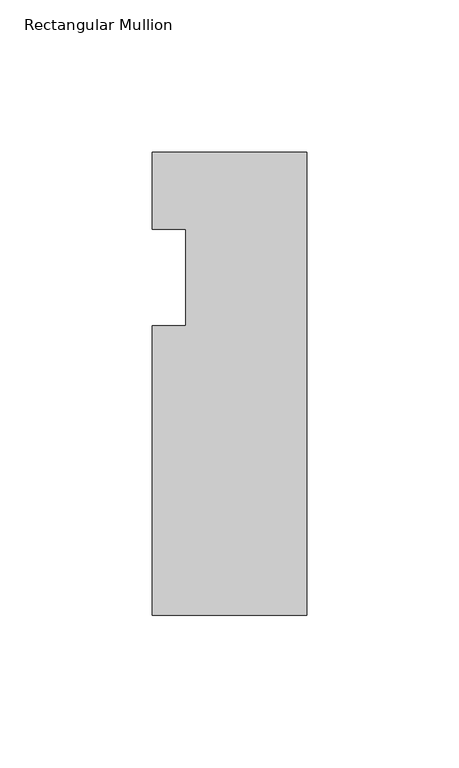
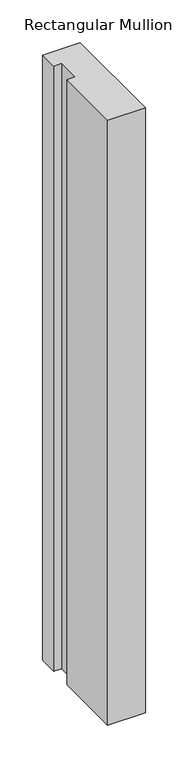
"""IFC4 building model written with IfcOpenShell, lengths in millimetres: member geometry, Rectangular Mullion."""

from ifc_helpers import new_model, si_unit, frame, origin, place, context, project, spatial, polyline, outline, extrude, source, transform, mapped, element, save


def rectangular_mullion_8d3306e3(model_context):
    return source(origin(), model_context, "Body", "SweptSolid", [
        extrude(outline(polyline([(0.0, 6.35), (0.0, -146.05), (-50.8, -146.05), (-50.8, -50.8000003), (-39.798625, -50.8000003), (-39.798625, -19.05), (-50.8, -19.05), (-50.8, 6.35), (0.0, 6.35)])), frame((0.0, 0.0, -863.5998097), z_axis=(0.0, 0.0, 1.0), x_axis=(1.0, 0.0, 0.0)), (0.0, 0.0, 1.0), 863.5998097),
    ])


if __name__ == "__main__":
    model = new_model("IFC4")
    model_context = context("Model", 3, world=origin())
    ifc_project = project(units=[si_unit("LENGTHUNIT", "METRE", prefix="MILLI")], contexts=[model_context])
    site = spatial("IfcSite", under=ifc_project)
    building = spatial("IfcBuilding", under=site)
    placement = place(None, origin())
    rectangular_mullion_shape = rectangular_mullion_8d3306e3(model_context)
    element("IfcMember", 1, ObjectType="Rectangular Mullion", at=placement, inside=building, context=model_context, shape_type="MappedRepresentation", body=[
        mapped(rectangular_mullion_shape, transform((0.0, 0.0, 0.0), x_axis=(1.0, 0.0, 0.0), y_axis=(0.0, 1.0, 0.0), z_axis=(0.0, 0.0, 1.0))),
    ])
    save(model, "model.ifc")
